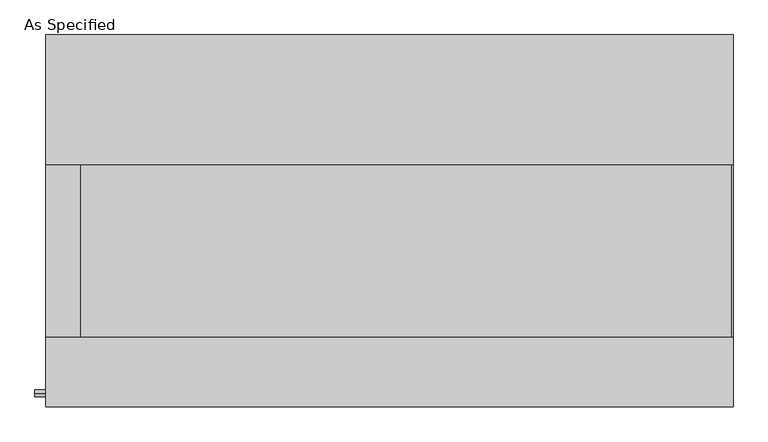
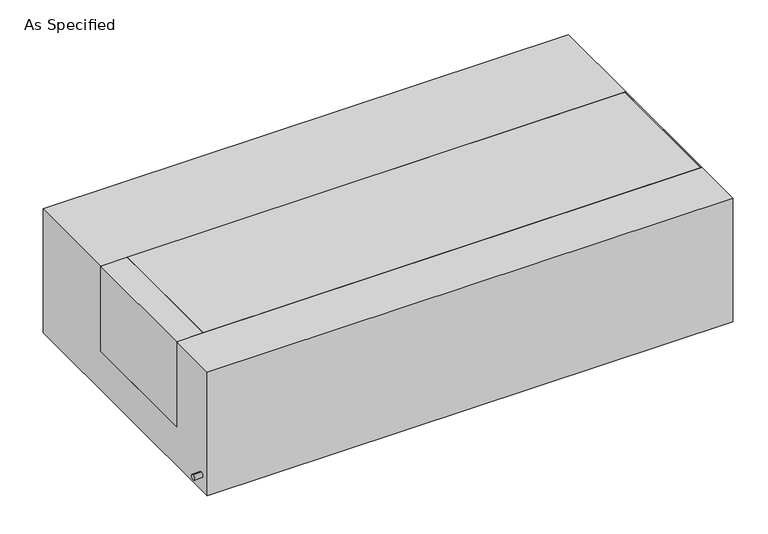
"""IFC4 building model written with IfcOpenShell, lengths in millimetres: proxy geometry, As Specified."""

from ifc_helpers import new_model, si_unit, point, frame, frame_2d, origin, place, context, project, spatial, polyline, circle_curve, trimmed, segment, composite_curve, outline, extrude, source, transform, mapped, element, save


def as_specified_31fb6a99(model_context):
    return source(origin(), model_context, "Body", "SweptSolid", [
        extrude(outline(composite_curve([segment(trimmed(circle_curve(frame_2d((-509.5875, -466.725)), 10.5), [point((-509.5875, -456.225))], [point((-509.5875, -477.225))], False, "CARTESIAN"), True, "CONTINUOUS"), segment(trimmed(circle_curve(frame_2d((-509.5875, -466.725)), 10.5), [point((-509.5875, -477.225))], [point((-509.5875, -456.225))], False, "CARTESIAN"), True, "CONTINUOUS")], self_intersect=False)), frame((-1046.2528384, 0.0, 0.0), z_axis=(1.0, 0.0, 0.0), x_axis=(0.0, 1.0, 0.0)), (0.0, 0.0, 1.0), 31.8403384),
        extrude(outline(polyline([(-912.01875, 165.1), (-912.01875, -342.9), (-1014.4125, -342.9), (-1014.4125, 165.1), (-912.01875, 165.1)])), frame((0.0, 0.0, -373.0625), z_axis=(0.0, 0.0, 1.0), x_axis=(1.0, 0.0, 0.0)), (0.0, 0.0, 1.0), 347.6625),
        extrude(outline(polyline([(1010.44375, 165.1), (1014.4125, 165.1), (1014.4125, -342.9), (1010.44375, -342.9), (1010.44375, 165.1)])), frame((0.0, 0.0, -39.6875), z_axis=(0.0, 0.0, 1.0), x_axis=(1.0, 0.0, 0.0)), (0.0, 0.0, 1.0), 14.2875),
        extrude(outline(polyline([(1014.4125, 165.1), (1014.4125, -342.9), (-912.01875, -342.9), (-912.01875, 165.1), (1014.4125, 165.1)])), frame((0.0, 0.0, -373.0625), z_axis=(0.0, 0.0, 1.0), x_axis=(1.0, 0.0, 0.0)), (0.0, 0.0, 1.0), 347.6625),
        extrude(outline(polyline([(549.275, -25.4), (549.275, -530.225), (-549.275, -530.225), (-549.275, -25.4), (-342.9, -25.4), (-342.9, -373.0625), (165.1, -373.0625), (165.1, -25.4), (549.275, -25.4)])), frame((-1014.4125, 0.0, 0.0), z_axis=(1.0, 0.0, 0.0), x_axis=(0.0, 1.0, 0.0)), (0.0, 0.0, 1.0), 2028.825),
    ])


if __name__ == "__main__":
    model = new_model("IFC4")
    model_context = context("Model", 3, world=origin())
    ifc_project = project(units=[si_unit("LENGTHUNIT", "METRE", prefix="MILLI")], contexts=[model_context])
    site = spatial("IfcSite", under=ifc_project)
    building = spatial("IfcBuilding", under=site)
    placement = place(None, origin())
    as_specified_shape = as_specified_31fb6a99(model_context)
    element("IfcBuildingElementProxy", 1, Name="As Specified", ObjectType="As Specified", at=placement, inside=building, context=model_context, shape_type="MappedRepresentation", body=[
        mapped(as_specified_shape, transform((0.0, 0.0, 0.0), x_axis=(1.0, 0.0, 0.0), y_axis=(0.0, 1.0, 0.0), z_axis=(0.0, 0.0, 1.0))),
    ])
    save(model, "model.ifc")
